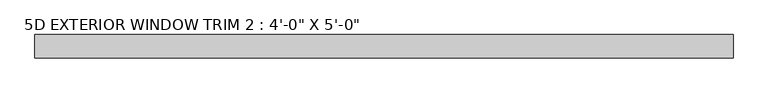
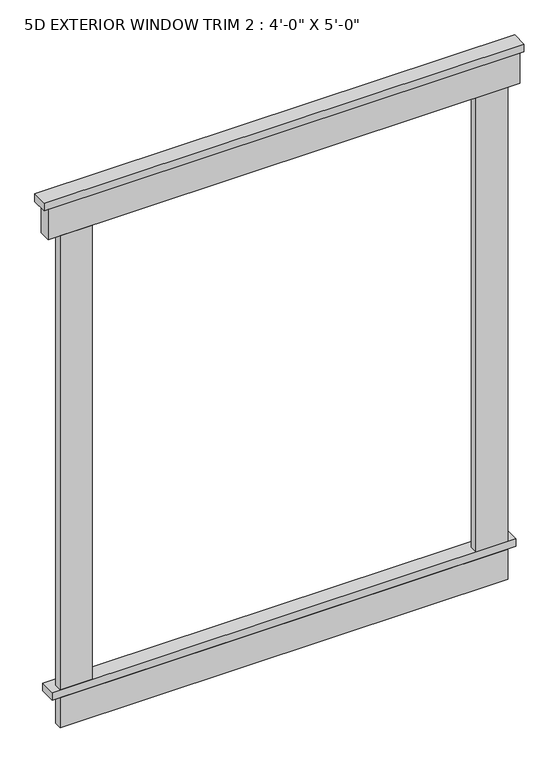
"""IFC4 building model written with IfcOpenShell, lengths in millimetres: proxy geometry."""

import ifcopenshell
import ifcopenshell.guid

model = None  # the IFC model being written
_history = None  # IfcOwnerHistory: only IFC2X3 demands one
_inside = {}  # id of a spatial element -> (the spatial element, [elements in it])
_under = {}  # id of a project, library or spatial element -> (it, [spatial elements below it])
_declared = {}  # id of a project -> (the project, [libraries it declares])
_typed = {}  # id of a type object -> (the type object, [elements of that type])
_made_of = {}  # id of a material, layer set ... -> (it, [elements and type objects made of it])


def new_model(schema):
    """Start an empty IFC model of exactly this schema.

    Asked for "IFC4X3", IfcOpenShell would pick the latest addendum, in which some entities
    have other attributes; the version numbers below select the first issue.
    IFC2X3 requires an IfcOwnerHistory on every rooted entity: one is made here for all.
    """
    global model, _history
    if schema == "IFC4X3":
        model = ifcopenshell.file(schema_version=(4, 3, 0, 0))
    else:
        model = ifcopenshell.file(schema=schema)
    _inside.clear()
    _under.clear()
    _declared.clear()
    _typed.clear()
    _made_of.clear()
    _history = None
    if model.schema == "IFC2X3":
        org = make("IfcOrganization", Name="unknown")
        user = make(
            "IfcPersonAndOrganization",
            ThePerson=make("IfcPerson", FamilyName="unknown"),
            TheOrganization=org,
        )
        app = make(
            "IfcApplication",
            ApplicationDeveloper=org,
            Version="unknown",
            ApplicationFullName="unknown",
            ApplicationIdentifier="unknown",
        )
        _history = make(
            "IfcOwnerHistory",
            OwningUser=user,
            OwningApplication=app,
            ChangeAction="ADDED",
            CreationDate=0,
        )
    return model


def make(cls, **values):
    """One entity of the class cls with the attributes given. An attribute that is None is left unset."""
    return model.create_entity(
        cls, **{name: value for name, value in values.items() if value is not None}
    )


def rooted(cls, **values):
    """An entity with a GlobalId (a new one), such as an element, a storey or a relation."""
    return make(cls, GlobalId=ifcopenshell.guid.new(), OwnerHistory=_history, **values)


def si_unit(unit_type, name, prefix=None):
    """IfcSIUnit, for example si_unit("LENGTHUNIT", "METRE", prefix="MILLI")."""
    return make("IfcSIUnit", UnitType=unit_type, Prefix=prefix, Name=name)


def assignment(units):
    """IfcUnitAssignment: the units of a project."""
    return None if units is None else make("IfcUnitAssignment", Units=units)


def point(xyz):
    """IfcCartesianPoint."""
    return None if xyz is None else make("IfcCartesianPoint", Coordinates=xyz)


def direction(xyz):
    """IfcDirection."""
    return None if xyz is None else make("IfcDirection", DirectionRatios=xyz)


def frame(location, z_axis=None, x_axis=None):
    """IfcAxis2Placement3D, a coordinate frame: its origin and axes. An axis left out is left unset."""
    return make(
        "IfcAxis2Placement3D",
        Location=point(location),
        Axis=direction(z_axis),
        RefDirection=direction(x_axis),
    )


def origin():
    """The frame at (0, 0, 0) with its axes left unset."""
    return frame((0.0, 0.0, 0.0))


def place(relative_to, where):
    """IfcLocalPlacement: puts the frame where relative to a parent placement (None: the world)."""
    return make(
        "IfcLocalPlacement", PlacementRelTo=relative_to, RelativePlacement=where
    )


def context(
    kind, dimensions, precision=None, world=None, true_north=None, identifier=None
):
    """IfcGeometricRepresentationContext, for example the 3D "Model" context."""
    return make(
        "IfcGeometricRepresentationContext",
        ContextIdentifier=identifier,
        ContextType=kind,
        CoordinateSpaceDimension=dimensions,
        Precision=precision,
        WorldCoordinateSystem=world,
        TrueNorth=true_north,
    )


def project(units=None, contexts=None):
    """IfcProject with its units and contexts."""
    return rooted(
        "IfcProject",
        Name="project",
        RepresentationContexts=contexts,
        UnitsInContext=assignment(units),
    )


def spatial(cls, under=None, at=None, **own):
    """A site, building, storey or space (cls), placed at a placement, below another one or the project."""
    s = rooted(cls, ObjectPlacement=at, **own)
    if under is not None:
        _under.setdefault(under.id(), (under, []))[1].append(s)
    return s


def polyline(points):
    """IfcPolyline through the points."""
    return make("IfcPolyline", Points=[point(p) for p in points])


def outline(outer, holes=None, kind="AREA"):
    """IfcArbitraryClosedProfileDef: a profile drawn as a closed curve; with holes, ...WithVoids."""
    if holes is None:
        return make("IfcArbitraryClosedProfileDef", ProfileType=kind, OuterCurve=outer)
    return make(
        "IfcArbitraryProfileDefWithVoids",
        ProfileType=kind,
        OuterCurve=outer,
        InnerCurves=holes,
    )


def extrude(swept, where, along, depth):
    """IfcExtrudedAreaSolid: the profile swept, set in the frame where, extruded along a direction by depth."""
    return make(
        "IfcExtrudedAreaSolid",
        SweptArea=swept,
        Position=where,
        ExtrudedDirection=direction(along),
        Depth=depth,
    )


def shape(context_of_items, identifier, shape_type, items):
    """IfcShapeRepresentation: the items that make up one representation, for example the "Body"."""
    return make(
        "IfcShapeRepresentation",
        ContextOfItems=context_of_items,
        RepresentationIdentifier=identifier,
        RepresentationType=shape_type,
        Items=items,
    )


def source(mapping_origin, context_of_items, identifier, shape_type, items):
    """IfcRepresentationMap: a shape defined once, which mapped items show again and again."""
    return make(
        "IfcRepresentationMap",
        MappingOrigin=mapping_origin,
        MappedRepresentation=shape(context_of_items, identifier, shape_type, items),
    )


def transform(
    local_origin,
    x_axis=None,
    y_axis=None,
    z_axis=None,
    scale=None,
    scale2=None,
    scale3=None,
    uniform=True,
):
    """IfcCartesianTransformationOperator3D, or its non-uniform kind. x_axis, y_axis, z_axis: its Axis1, 2, 3."""
    if uniform:
        return make(
            "IfcCartesianTransformationOperator3D",
            Axis1=direction(x_axis),
            Axis2=direction(y_axis),
            LocalOrigin=point(local_origin),
            Scale=scale,
            Axis3=direction(z_axis),
        )
    return make(
        "IfcCartesianTransformationOperator3DnonUniform",
        Axis1=direction(x_axis),
        Axis2=direction(y_axis),
        LocalOrigin=point(local_origin),
        Scale=scale,
        Axis3=direction(z_axis),
        Scale2=scale2,
        Scale3=scale3,
    )


def mapped(mapping_source, mapping_target):
    """IfcMappedItem: shows the shape of a source again, moved by a transform."""
    return make(
        "IfcMappedItem", MappingSource=mapping_source, MappingTarget=mapping_target
    )


def made_of(thing, what):
    """Note that an element or type object is made of a material, layer set ...; save() writes the relation."""
    if what is not None:
        _made_of.setdefault(what.id(), (what, []))[1].append(thing)
    return thing


def element(
    cls,
    number,
    at=None,
    inside=None,
    cuts=None,
    type_object=None,
    material=None,
    context=None,
    identifier="Body",
    shape_type=None,
    held_by="IfcProductDefinitionShape",
    body=None,
    shapes=None,
    **own,
):
    """One element of the class cls, such as IfcWall. Its Tag is "e" and its number.

    at: its placement. inside: the storey or other place that contains it. cuts: it is an
    opening in that element (IfcRelVoidsElement). A single representation is given by context,
    identifier, shape_type and body (its items); several are given by shapes. held_by: the class
    of the entity that holds the representations. save() writes the other relations.
    """
    e = rooted(cls, Tag="e%d" % number, ObjectPlacement=at, **own)
    if body is not None:
        shapes = [shape(context, identifier, shape_type, body)]
    if shapes is not None:
        e.Representation = make(held_by, Representations=shapes)
    if inside is not None:
        _inside.setdefault(inside.id(), (inside, []))[1].append(e)
    if cuts is not None:
        rooted(
            "IfcRelVoidsElement", RelatingBuildingElement=cuts, RelatedOpeningElement=e
        )
    if type_object is not None:
        _typed.setdefault(type_object.id(), (type_object, []))[1].append(e)
    return made_of(e, material)


def aggregate(whole, parts):
    """IfcRelAggregates: a whole, such as a stair, and the parts it consists of."""
    return rooted("IfcRelAggregates", RelatingObject=whole, RelatedObjects=parts)


def save(model, path):
    """Write the relations noted so far, then the file.

    IfcRelAggregates (storeys below a building ...), IfcRelContainedInSpatialStructure (elements
    in a storey), IfcRelDefinesByType, IfcRelAssociatesMaterial and IfcRelDeclares: one each for
    every whole, place, type object, material and project.
    """
    for whole, parts in _under.values():
        aggregate(whole, parts)
    for where, things in _inside.values():
        rooted(
            "IfcRelContainedInSpatialStructure",
            RelatedElements=things,
            RelatingStructure=where,
        )
    for kind, things in _typed.values():
        rooted("IfcRelDefinesByType", RelatedObjects=things, RelatingType=kind)
    for what, things in _made_of.values():
        rooted("IfcRelAssociatesMaterial", RelatedObjects=things, RelatingMaterial=what)
    for by, libraries in _declared.values():
        rooted("IfcRelDeclares", RelatingContext=by, RelatedDefinitions=libraries)
    model.write(path)


def proxy_10e279f9(model_context):
    return source(origin(), model_context, "Body", "SweptSolid", [
        extrude(outline(polyline([(762.0, 107.15625), (-762.0, 107.15625), (-762.0, 157.95625), (762.0, 157.95625), (762.0, 107.15625)])), frame((0.0, 0.0, 2540.0), z_axis=(0.0, 0.0, 1.0), x_axis=(1.0, 0.0, 0.0)), (0.0, 0.0, 1.0), 25.4),
        extrude(outline(polyline([(736.6, 107.15625), (-736.6, 107.15625), (-736.6, 157.95625), (736.6, 157.95625), (736.6, 107.15625)])), frame((0.0, 0.0, 889.0), z_axis=(0.0, 0.0, 1.0), x_axis=(1.0, 0.0, 0.0)), (0.0, 0.0, 1.0), 25.4),
        extrude(outline(polyline([(749.3, 107.15625), (-749.3, 107.15625), (-749.3, 145.25625), (749.3, 145.25625), (749.3, 107.15625)])), frame((0.0, 0.0, 2438.4), z_axis=(0.0, 0.0, 1.0), x_axis=(1.0, 0.0, 0.0)), (0.0, 0.0, 1.0), 101.6),
        extrude(outline(polyline([(-609.6, 107.15625), (-711.2, 107.15625), (-711.2, 132.55625), (-609.6, 132.55625), (-609.6, 107.15625)])), frame((0.0, 0.0, 914.4), z_axis=(0.0, 0.0, 1.0), x_axis=(1.0, 0.0, 0.0)), (0.0, 0.0, 1.0), 1524.0),
        extrude(outline(polyline([(711.2, 107.15625), (609.6, 107.15625), (609.6, 132.55625), (711.2, 132.55625), (711.2, 107.15625)])), frame((0.0, 0.0, 914.4), z_axis=(0.0, 0.0, 1.0), x_axis=(1.0, 0.0, 0.0)), (0.0, 0.0, 1.0), 1524.0),
        extrude(outline(polyline([(711.2, 107.15625), (-711.2, 107.15625), (-711.2, 132.55625), (711.2, 132.55625), (711.2, 107.15625)])), frame((0.0, 0.0, 787.4), z_axis=(0.0, 0.0, 1.0), x_axis=(1.0, 0.0, 0.0)), (0.0, 0.0, 1.0), 101.6),
    ])


if __name__ == "__main__":
    model = new_model("IFC4")
    model_context = context("Model", 3, world=origin())
    ifc_project = project(units=[si_unit("LENGTHUNIT", "METRE", prefix="MILLI")], contexts=[model_context])
    site = spatial("IfcSite", under=ifc_project)
    building = spatial("IfcBuilding", under=site)
    placement = place(None, origin())
    proxy_shape = proxy_10e279f9(model_context)
    element("IfcBuildingElementProxy", 1, Name="5D EXTERIOR WINDOW TRIM 2 : 4'-0\" X 5'-0\"", ObjectType="5D EXTERIOR WINDOW TRIM 2 : 4'-0\" X 5'-0\"", at=placement, inside=building, context=model_context, shape_type="MappedRepresentation", body=[
        mapped(proxy_shape, transform((0.0, 0.0, 0.0), x_axis=(1.0, 0.0, 0.0), y_axis=(0.0, 1.0, 0.0), z_axis=(0.0, 0.0, 1.0))),
    ])
    save(model, "model.ifc")
